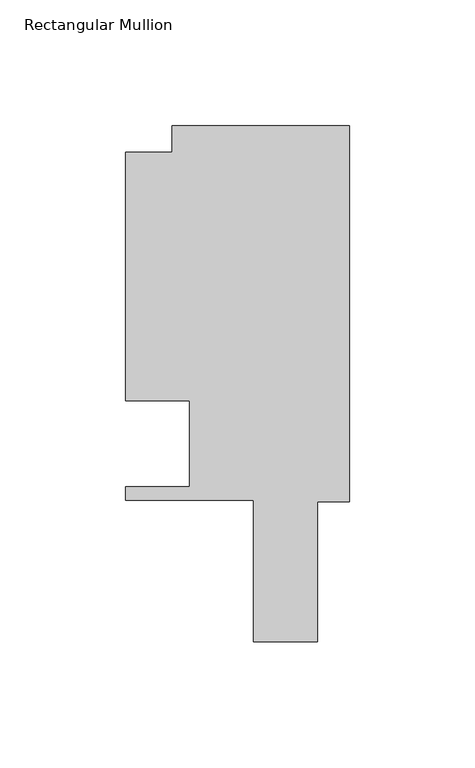
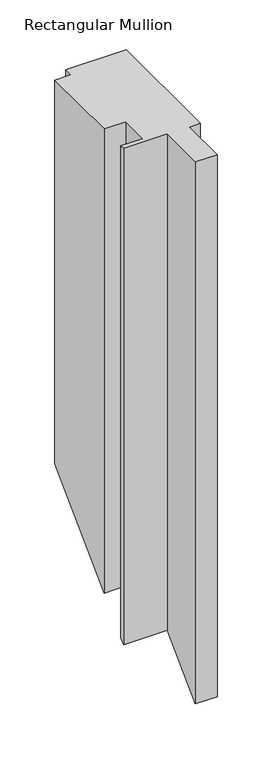
"""IFC4 building model written with IfcOpenShell, lengths in millimetres: member geometry, Rectangular Mullion."""

from ifc_helpers import new_model, si_unit, origin, place, context, project, spatial, faceted_brep, source, transform, mapped, element, save


def rectangular_mullion_4845c1c2(model_context):
    return source(origin(), model_context, "Body", "Brep", [
        faceted_brep([(0.0, 148.737016, 0.0), (-70.3834001, 148.737016, 0.0), (-70.3834001, 138.3230199, 0.0), (-88.9000002, 138.3230199, 0.0), (-88.9000002, 39.3898437, 0.0), (-63.5000002, 39.3898437, 0.0), (-63.5000002, 5.3538437, 0.0), (-88.9000002, 5.3538437, 0.0), (-88.9000002, 0.020016, 0.0), (-38.1000001, 0.020016, 0.0), (-38.1000001, -56.3681563, 0.0), (-12.6909103, -56.3681563, 0.0), (-12.6909103, -0.6166672, 0.0), (0.0, -0.6166672, 0.0), (0.0, 148.737016, -460.831234), (-70.3834001, 148.737016, -460.831234), (-70.3834001, 138.3230199, -471.2452301), (-88.9000002, 138.3230199, -471.2452301), (-88.9000002, 39.3898438, -570.1784063), (-63.5000002, 39.3898438, -570.1784063), (-63.5000002, 5.3538437, -604.2144063), (-88.9000002, 5.3538437, -604.2144063), (-88.9000002, 0.020016, -609.548234), (-38.1000001, 0.020016, -609.548234), (-38.1000001, -56.3681563, -665.9364063), (-12.6909103, -56.3681563, -665.9364063), (-12.6909103, -0.6166672, -610.1849172), (0.0, -0.6166672, -610.1849172)], [[[0, 1, 2, 3, 4, 5, 6, 7, 8, 9, 10, 11, 12, 13]], [[1, 0, 14, 15]], [[2, 1, 15, 16]], [[3, 2, 16, 17]], [[4, 3, 17, 18]], [[5, 4, 18, 19]], [[6, 5, 19, 20]], [[7, 6, 20, 21]], [[8, 7, 21, 22]], [[9, 8, 22, 23]], [[10, 9, 23, 24]], [[11, 10, 24, 25]], [[12, 11, 25, 26]], [[13, 12, 26, 27]], [[0, 13, 27, 14]], [[14, 27, 26, 25, 24, 23, 22, 21, 20, 19, 18, 17, 16, 15]]]),
    ])


if __name__ == "__main__":
    model = new_model("IFC4")
    model_context = context("Model", 3, world=origin())
    ifc_project = project(units=[si_unit("LENGTHUNIT", "METRE", prefix="MILLI")], contexts=[model_context])
    site = spatial("IfcSite", under=ifc_project)
    building = spatial("IfcBuilding", under=site)
    placement = place(None, origin())
    rectangular_mullion_shape = rectangular_mullion_4845c1c2(model_context)
    element("IfcMember", 1, ObjectType="Rectangular Mullion", at=placement, inside=building, context=model_context, shape_type="MappedRepresentation", body=[
        mapped(rectangular_mullion_shape, transform((0.0, 0.0, 0.0), x_axis=(1.0, 0.0, 0.0), y_axis=(0.0, 1.0, 0.0), z_axis=(0.0, 0.0, 1.0))),
    ])
    save(model, "model.ifc")
